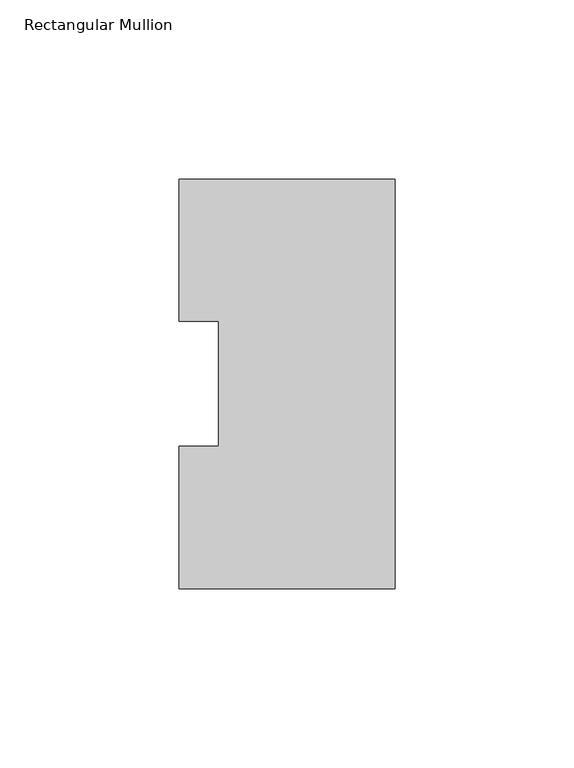
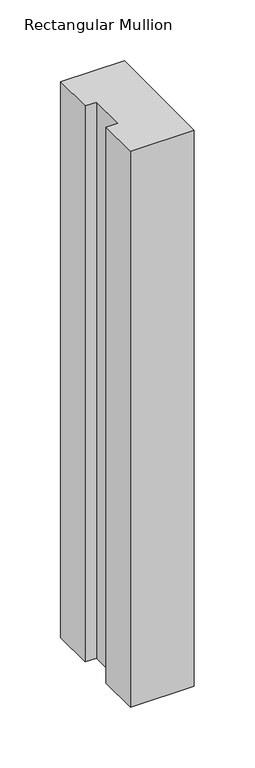
"""IFC4 building model written with IfcOpenShell, lengths in millimetres: member geometry, Rectangular Mullion."""

import ifcopenshell
import ifcopenshell.guid

model = None  # the IFC model being written
_history = None  # IfcOwnerHistory: only IFC2X3 demands one
_inside = {}  # id of a spatial element -> (the spatial element, [elements in it])
_under = {}  # id of a project, library or spatial element -> (it, [spatial elements below it])
_declared = {}  # id of a project -> (the project, [libraries it declares])
_typed = {}  # id of a type object -> (the type object, [elements of that type])
_made_of = {}  # id of a material, layer set ... -> (it, [elements and type objects made of it])


def new_model(schema):
    """Start an empty IFC model of exactly this schema.

    Asked for "IFC4X3", IfcOpenShell would pick the latest addendum, in which some entities
    have other attributes; the version numbers below select the first issue.
    IFC2X3 requires an IfcOwnerHistory on every rooted entity: one is made here for all.
    """
    global model, _history
    if schema == "IFC4X3":
        model = ifcopenshell.file(schema_version=(4, 3, 0, 0))
    else:
        model = ifcopenshell.file(schema=schema)
    _inside.clear()
    _under.clear()
    _declared.clear()
    _typed.clear()
    _made_of.clear()
    _history = None
    if model.schema == "IFC2X3":
        org = make("IfcOrganization", Name="unknown")
        user = make(
            "IfcPersonAndOrganization",
            ThePerson=make("IfcPerson", FamilyName="unknown"),
            TheOrganization=org,
        )
        app = make(
            "IfcApplication",
            ApplicationDeveloper=org,
            Version="unknown",
            ApplicationFullName="unknown",
            ApplicationIdentifier="unknown",
        )
        _history = make(
            "IfcOwnerHistory",
            OwningUser=user,
            OwningApplication=app,
            ChangeAction="ADDED",
            CreationDate=0,
        )
    return model


def make(cls, **values):
    """One entity of the class cls with the attributes given. An attribute that is None is left unset."""
    return model.create_entity(
        cls, **{name: value for name, value in values.items() if value is not None}
    )


def rooted(cls, **values):
    """An entity with a GlobalId (a new one), such as an element, a storey or a relation."""
    return make(cls, GlobalId=ifcopenshell.guid.new(), OwnerHistory=_history, **values)


def si_unit(unit_type, name, prefix=None):
    """IfcSIUnit, for example si_unit("LENGTHUNIT", "METRE", prefix="MILLI")."""
    return make("IfcSIUnit", UnitType=unit_type, Prefix=prefix, Name=name)


def assignment(units):
    """IfcUnitAssignment: the units of a project."""
    return None if units is None else make("IfcUnitAssignment", Units=units)


def point(xyz):
    """IfcCartesianPoint."""
    return None if xyz is None else make("IfcCartesianPoint", Coordinates=xyz)


def direction(xyz):
    """IfcDirection."""
    return None if xyz is None else make("IfcDirection", DirectionRatios=xyz)


def frame(location, z_axis=None, x_axis=None):
    """IfcAxis2Placement3D, a coordinate frame: its origin and axes. An axis left out is left unset."""
    return make(
        "IfcAxis2Placement3D",
        Location=point(location),
        Axis=direction(z_axis),
        RefDirection=direction(x_axis),
    )


def origin():
    """The frame at (0, 0, 0) with its axes left unset."""
    return frame((0.0, 0.0, 0.0))


def place(relative_to, where):
    """IfcLocalPlacement: puts the frame where relative to a parent placement (None: the world)."""
    return make(
        "IfcLocalPlacement", PlacementRelTo=relative_to, RelativePlacement=where
    )


def context(
    kind, dimensions, precision=None, world=None, true_north=None, identifier=None
):
    """IfcGeometricRepresentationContext, for example the 3D "Model" context."""
    return make(
        "IfcGeometricRepresentationContext",
        ContextIdentifier=identifier,
        ContextType=kind,
        CoordinateSpaceDimension=dimensions,
        Precision=precision,
        WorldCoordinateSystem=world,
        TrueNorth=true_north,
    )


def project(units=None, contexts=None):
    """IfcProject with its units and contexts."""
    return rooted(
        "IfcProject",
        Name="project",
        RepresentationContexts=contexts,
        UnitsInContext=assignment(units),
    )


def spatial(cls, under=None, at=None, **own):
    """A site, building, storey or space (cls), placed at a placement, below another one or the project."""
    s = rooted(cls, ObjectPlacement=at, **own)
    if under is not None:
        _under.setdefault(under.id(), (under, []))[1].append(s)
    return s


def polyline(points):
    """IfcPolyline through the points."""
    return make("IfcPolyline", Points=[point(p) for p in points])


def outline(outer, holes=None, kind="AREA"):
    """IfcArbitraryClosedProfileDef: a profile drawn as a closed curve; with holes, ...WithVoids."""
    if holes is None:
        return make("IfcArbitraryClosedProfileDef", ProfileType=kind, OuterCurve=outer)
    return make(
        "IfcArbitraryProfileDefWithVoids",
        ProfileType=kind,
        OuterCurve=outer,
        InnerCurves=holes,
    )


def extrude(swept, where, along, depth):
    """IfcExtrudedAreaSolid: the profile swept, set in the frame where, extruded along a direction by depth."""
    return make(
        "IfcExtrudedAreaSolid",
        SweptArea=swept,
        Position=where,
        ExtrudedDirection=direction(along),
        Depth=depth,
    )


def shape(context_of_items, identifier, shape_type, items):
    """IfcShapeRepresentation: the items that make up one representation, for example the "Body"."""
    return make(
        "IfcShapeRepresentation",
        ContextOfItems=context_of_items,
        RepresentationIdentifier=identifier,
        RepresentationType=shape_type,
        Items=items,
    )


def source(mapping_origin, context_of_items, identifier, shape_type, items):
    """IfcRepresentationMap: a shape defined once, which mapped items show again and again."""
    return make(
        "IfcRepresentationMap",
        MappingOrigin=mapping_origin,
        MappedRepresentation=shape(context_of_items, identifier, shape_type, items),
    )


def transform(
    local_origin,
    x_axis=None,
    y_axis=None,
    z_axis=None,
    scale=None,
    scale2=None,
    scale3=None,
    uniform=True,
):
    """IfcCartesianTransformationOperator3D, or its non-uniform kind. x_axis, y_axis, z_axis: its Axis1, 2, 3."""
    if uniform:
        return make(
            "IfcCartesianTransformationOperator3D",
            Axis1=direction(x_axis),
            Axis2=direction(y_axis),
            LocalOrigin=point(local_origin),
            Scale=scale,
            Axis3=direction(z_axis),
        )
    return make(
        "IfcCartesianTransformationOperator3DnonUniform",
        Axis1=direction(x_axis),
        Axis2=direction(y_axis),
        LocalOrigin=point(local_origin),
        Scale=scale,
        Axis3=direction(z_axis),
        Scale2=scale2,
        Scale3=scale3,
    )


def mapped(mapping_source, mapping_target):
    """IfcMappedItem: shows the shape of a source again, moved by a transform."""
    return make(
        "IfcMappedItem", MappingSource=mapping_source, MappingTarget=mapping_target
    )


def made_of(thing, what):
    """Note that an element or type object is made of a material, layer set ...; save() writes the relation."""
    if what is not None:
        _made_of.setdefault(what.id(), (what, []))[1].append(thing)
    return thing


def element(
    cls,
    number,
    at=None,
    inside=None,
    cuts=None,
    type_object=None,
    material=None,
    context=None,
    identifier="Body",
    shape_type=None,
    held_by="IfcProductDefinitionShape",
    body=None,
    shapes=None,
    **own,
):
    """One element of the class cls, such as IfcWall. Its Tag is "e" and its number.

    at: its placement. inside: the storey or other place that contains it. cuts: it is an
    opening in that element (IfcRelVoidsElement). A single representation is given by context,
    identifier, shape_type and body (its items); several are given by shapes. held_by: the class
    of the entity that holds the representations. save() writes the other relations.
    """
    e = rooted(cls, Tag="e%d" % number, ObjectPlacement=at, **own)
    if body is not None:
        shapes = [shape(context, identifier, shape_type, body)]
    if shapes is not None:
        e.Representation = make(held_by, Representations=shapes)
    if inside is not None:
        _inside.setdefault(inside.id(), (inside, []))[1].append(e)
    if cuts is not None:
        rooted(
            "IfcRelVoidsElement", RelatingBuildingElement=cuts, RelatedOpeningElement=e
        )
    if type_object is not None:
        _typed.setdefault(type_object.id(), (type_object, []))[1].append(e)
    return made_of(e, material)


def aggregate(whole, parts):
    """IfcRelAggregates: a whole, such as a stair, and the parts it consists of."""
    return rooted("IfcRelAggregates", RelatingObject=whole, RelatedObjects=parts)


def save(model, path):
    """Write the relations noted so far, then the file.

    IfcRelAggregates (storeys below a building ...), IfcRelContainedInSpatialStructure (elements
    in a storey), IfcRelDefinesByType, IfcRelAssociatesMaterial and IfcRelDeclares: one each for
    every whole, place, type object, material and project.
    """
    for whole, parts in _under.values():
        aggregate(whole, parts)
    for where, things in _inside.values():
        rooted(
            "IfcRelContainedInSpatialStructure",
            RelatedElements=things,
            RelatingStructure=where,
        )
    for kind, things in _typed.values():
        rooted("IfcRelDefinesByType", RelatedObjects=things, RelatingType=kind)
    for what, things in _made_of.values():
        rooted("IfcRelAssociatesMaterial", RelatedObjects=things, RelatingMaterial=what)
    for by, libraries in _declared.values():
        rooted("IfcRelDeclares", RelatingContext=by, RelatedDefinitions=libraries)
    model.write(path)


def rectangular_mullion_86b8d729(model_context):
    return source(origin(), model_context, "Body", "SweptSolid", [
        extrude(outline(polyline([(0.0, 114.271425), (0.0, -0.028575), (-60.325, -0.028575), (-60.325, 39.646225), (-49.2125, 39.646225), (-49.2125, 74.596625), (-60.325, 74.596625), (-60.325, 114.271425), (0.0, 114.271425)])), frame((0.0, 0.0, -557.2125), z_axis=(0.0, 0.0, 1.0), x_axis=(1.0, 0.0, 0.0)), (0.0, 0.0, 1.0), 557.2125),
    ])


if __name__ == "__main__":
    model = new_model("IFC4")
    model_context = context("Model", 3, world=origin())
    ifc_project = project(units=[si_unit("LENGTHUNIT", "METRE", prefix="MILLI")], contexts=[model_context])
    site = spatial("IfcSite", under=ifc_project)
    building = spatial("IfcBuilding", under=site)
    placement = place(None, origin())
    rectangular_mullion_shape = rectangular_mullion_86b8d729(model_context)
    element("IfcMember", 1, ObjectType="Rectangular Mullion", at=placement, inside=building, context=model_context, shape_type="MappedRepresentation", body=[
        mapped(rectangular_mullion_shape, transform((0.0, 0.0, 0.0), x_axis=(1.0, 0.0, 0.0), y_axis=(0.0, 1.0, 0.0), z_axis=(0.0, 0.0, 1.0))),
    ])
    save(model, "model.ifc")
